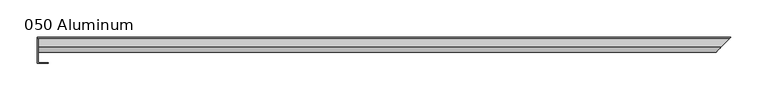
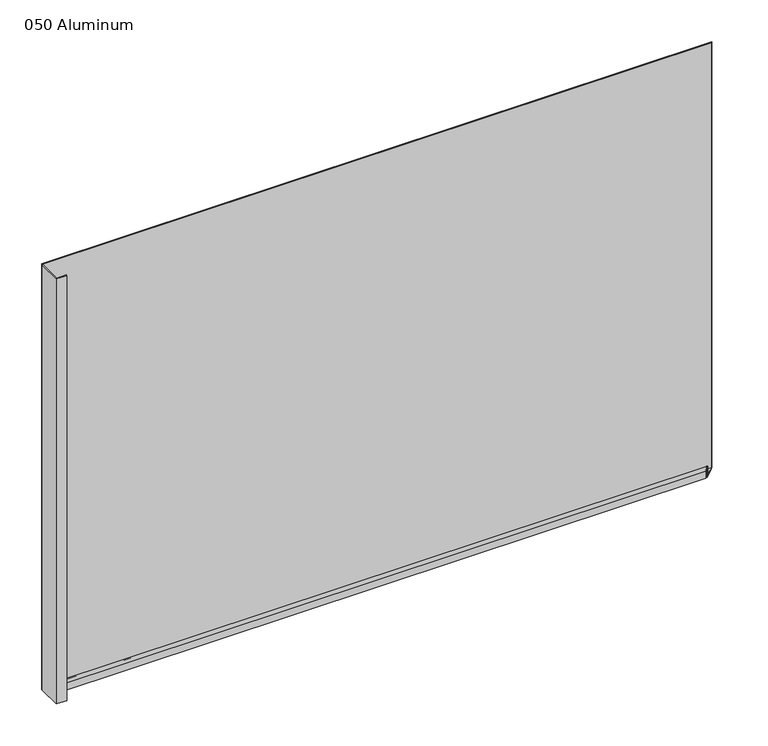
"""IFC4 building model written with IfcOpenShell, lengths in millimetres: plate geometry, 050 Aluminum."""

from ifc_helpers import new_model, si_unit, frame, origin, origin_with_axes, place, context, project, spatial, polyline, circle_curve, ellipse_curve, outline, extrude, source, transform, mapped, element, save
from ifc_brep_helpers import plane_surface, cylinder_surface, revolved_surface, advanced_brep


def plate_050_aluminum_dd325e4e(model_context):
    return source(origin(), model_context, "Body", "SolidModel", [
        extrude(outline(polyline([(-443.6268749, 2.5660257), (-430.7363743, 2.5660257), (-430.7363743, 1.2699999), (-444.8968748, 1.2699999), (-444.8968748, 34.7980001), (-443.6268749, 34.7980001), (-443.6268749, 2.5660257)])), origin_with_axes(), (0.0, 0.0, 1.0), 621.03),
        advanced_brep(
        [(-443.6268749, 16.6765477, 13.1458337), (-443.6268749, 23.0264743, 13.124237), (-443.6268749, 23.0264743, 1.2693678), (-443.6268749, 34.7980002, 1.2693678), (-443.6268749, 34.7980002, 0.0), (-443.6268749, 21.7564743, 0.0), (-443.6268749, 21.7564743, 13.124237), (-443.6268749, 17.9464915, 13.1323356), (-443.6268749, 17.9464915, 2.786437), (-443.6268749, 16.6765477, 2.786437), (461.5734227, 16.6765477, 2.786437), (461.5734227, 16.6765477, 13.1458337), (462.8433664, 17.9464915, 2.786437), (462.8433664, 17.9464915, 13.1323356), (466.6533492, 21.7564743, 13.124237), (466.6533492, 21.7564743, 0.0), (479.6948749, 34.7980002, 0.0), (479.6948749, 34.7980002, 1.2693678), (467.9233492, 23.0264743, 1.2693678), (467.9233492, 23.0264743, 13.124237)],
        [
            (0, 1, circle_curve(frame((-443.6268749, 19.8514743, 13.124237), z_axis=(-1.0, 0.0, 0.0), x_axis=(0.0, 0.0, -1.0)), 3.175)),
            (1, 2),
            (2, 3),
            (3, 4),
            (4, 5),
            (5, 6),
            (6, 7, circle_curve(frame((-443.6268749, 19.8514743, 13.124237), z_axis=(1.0, 0.0, 0.0), x_axis=(0.0, 0.0, -1.0)), 1.905)),
            (7, 8),
            (8, 9),
            (9, 0),
            (9, 10),
            (10, 11),
            (11, 0),
            (8, 12),
            (12, 10),
            (7, 13),
            (13, 12),
            (6, 14),
            (14, 13, ellipse_curve(frame((464.7483492, 19.8514743, 13.124237), z_axis=(0.7071067811865491, -0.7071067811865459, 0.0), x_axis=(0.707106781186546, 0.7071067811865491, 0.0)), 2.6940768, 1.905)),
            (5, 15),
            (15, 14),
            (4, 16),
            (16, 15),
            (3, 17),
            (17, 16),
            (2, 18),
            (18, 17),
            (1, 19),
            (19, 18),
            (11, 19, ellipse_curve(frame((464.7483492, 19.8514743, 13.124237), z_axis=(-0.7071067811865491, 0.7071067811865459, 0.0), x_axis=(-0.707106781186546, -0.7071067811865491, 0.0)), 4.4901281, 3.175)),
        ],
        [
            plane_surface(frame((-443.6268749, 36.068, 0.0), z_axis=(-1.0, 0.0, 0.0), x_axis=(0.0, 0.0, 1.0))),
            plane_surface(frame((-443.6268749, 16.6765477, 13.1458337), z_axis=(0.0, -1.0, 0.0), x_axis=(1.0, 0.0, 0.0))),
            plane_surface(frame((-443.6268749, 16.6765477, 2.786437), z_axis=(0.0, 0.0, -1.0), x_axis=(1.0, 0.0, 0.0))),
            plane_surface(frame((-443.6268749, 17.9464915, 2.786437), z_axis=(0.0, 1.0, 0.0), x_axis=(1.0, 0.0, 0.0))),
            revolved_surface(polyline([(466.6533491999999, 19.8514743, 11.219237000000001), (-443.6268749, 19.8514743, 11.219237000000001)]), (-443.6268749, 19.8514743, 13.124237), (1.0, 0.0, 0.0)),
            plane_surface(frame((-443.6268749, 21.7564743, 13.124237), z_axis=(0.0, -1.0, 0.0), x_axis=(1.0, 0.0, 0.0))),
            plane_surface(frame((-443.6268749, 21.7564743, 0.0), z_axis=(0.0, 0.0, -1.0), x_axis=(1.0, 0.0, 0.0))),
            plane_surface(frame((-443.6268749, 34.7980002, 0.0), z_axis=(0.0, 1.0, 0.0), x_axis=(1.0, 0.0, 0.0))),
            plane_surface(frame((-443.6268749, 34.7980002, 1.2693678), z_axis=(0.0, 0.0, 1.0), x_axis=(1.0, 0.0, 0.0))),
            plane_surface(frame((-443.6268749, 23.0264743, 1.2693678), z_axis=(0.0, 1.0, 0.0), x_axis=(1.0, 0.0, 0.0))),
            cylinder_surface(frame((-443.6268749, 19.8514743, 13.124237), z_axis=(-1.0, 0.0, 0.0), x_axis=(0.0, 0.0, -1.0)), 3.175),
            plane_surface(frame((444.8968749, 0.0, 795.4549971), z_axis=(0.7071067811865491, -0.7071067811865459, 0.0), x_axis=(0.0, 0.0, -1.0))),
        ],
        [
            (0, [[1, 2, 3, 4, 5, 6, 7, 8, 9, 10]]),
            (1, [[11, 12, 13, -10]]),
            (2, [[14, 15, -11, -9]]),
            (3, [[16, 17, -14, -8]]),
            (4, [[18, 19, -16, -7]]),
            (5, [[20, 21, -18, -6]]),
            (6, [[22, 23, -20, -5]]),
            (7, [[24, 25, -22, -4]]),
            (8, [[26, 27, -24, -3]]),
            (9, [[28, 29, -26, -2]]),
            (10, [[-13, 30, -28, -1]]),
            (11, [[-15, -17, -19, -21, -23, -25, -27, -29, -30, -12]]),
        ],
    ),
        extrude(outline(polyline([(-444.8968749, 36.068), (480.9648749, 36.068), (479.694875, 34.7980001), (-444.8968749, 34.7980001), (-444.8968749, 36.068)])), origin_with_axes(), (0.0, 0.0, 1.0), 622.3),
    ])


if __name__ == "__main__":
    model = new_model("IFC4")
    model_context = context("Model", 3, world=origin())
    ifc_project = project(units=[si_unit("LENGTHUNIT", "METRE", prefix="MILLI")], contexts=[model_context])
    site = spatial("IfcSite", under=ifc_project)
    building = spatial("IfcBuilding", under=site)
    placement = place(None, origin())
    plate_050_aluminum_shape = plate_050_aluminum_dd325e4e(model_context)
    element("IfcPlate", 1, ObjectType="050 Aluminum", at=placement, inside=building, context=model_context, shape_type="MappedRepresentation", body=[
        mapped(plate_050_aluminum_shape, transform((0.0, 0.0, 0.0), x_axis=(1.0, 0.0, 0.0), y_axis=(0.0, 1.0, 0.0), z_axis=(0.0, 0.0, 1.0))),
    ])
    save(model, "model.ifc")
